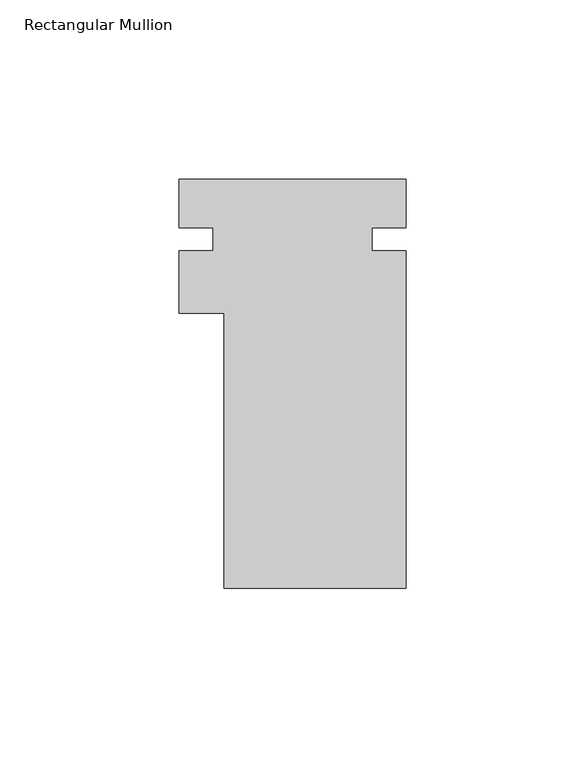
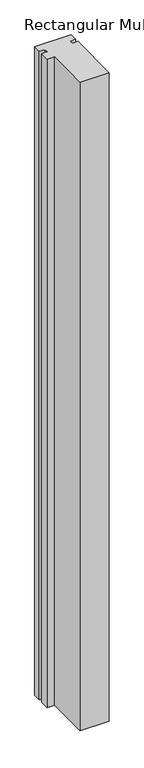
"""IFC4 building model written with IfcOpenShell, lengths in millimetres: member geometry, Rectangular Mullion."""

from ifc_helpers import new_model, si_unit, frame, origin, place, context, project, spatial, polyline, outline, extrude, source, transform, mapped, element, save


def rectangular_mullion_75478809(model_context):
    return source(origin(), model_context, "Body", "SweptSolid", [
        extrude(outline(polyline([(25.4, -39.773225), (-25.4, -39.773225), (-25.4, 37.061775), (-38.0999959, 37.061775), (-38.0999959, 54.524275), (-28.5749959, 54.524275), (-28.5749959, 60.874275), (-38.0999959, 60.874275), (-38.0999959, 74.526775), (25.4, 74.526775), (25.4, 60.874275), (15.875, 60.874275), (15.875, 54.524275), (25.4, 54.524275), (25.4, -39.773225)])), frame((0.0, 0.0, -1193.8), z_axis=(0.0, 0.0, 1.0), x_axis=(1.0, 0.0, 0.0)), (0.0, 0.0, 1.0), 1193.8),
    ])


if __name__ == "__main__":
    model = new_model("IFC4")
    model_context = context("Model", 3, world=origin())
    ifc_project = project(units=[si_unit("LENGTHUNIT", "METRE", prefix="MILLI")], contexts=[model_context])
    site = spatial("IfcSite", under=ifc_project)
    building = spatial("IfcBuilding", under=site)
    placement = place(None, origin())
    rectangular_mullion_shape = rectangular_mullion_75478809(model_context)
    element("IfcMember", 1, ObjectType="Rectangular Mullion", at=placement, inside=building, context=model_context, shape_type="MappedRepresentation", body=[
        mapped(rectangular_mullion_shape, transform((0.0, 0.0, 0.0), x_axis=(1.0, 0.0, 0.0), y_axis=(0.0, 1.0, 0.0), z_axis=(0.0, 0.0, 1.0))),
    ])
    save(model, "model.ifc")
